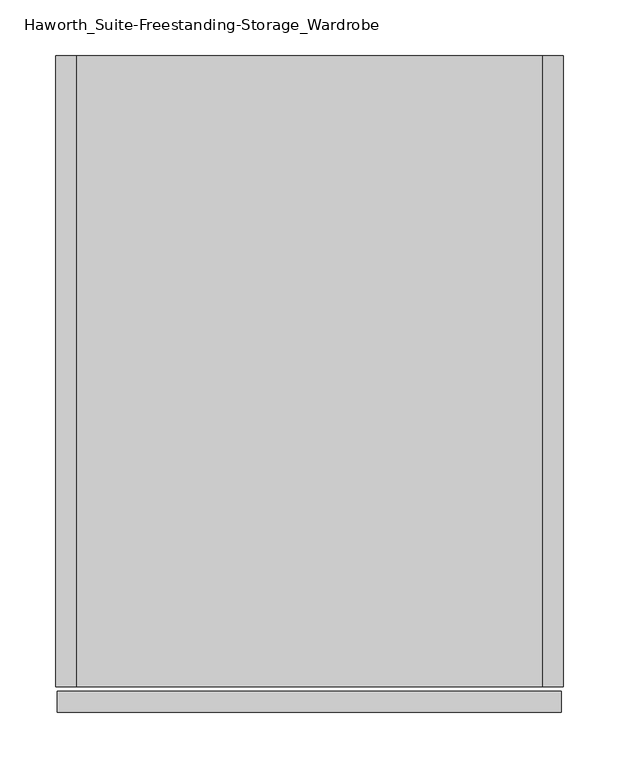
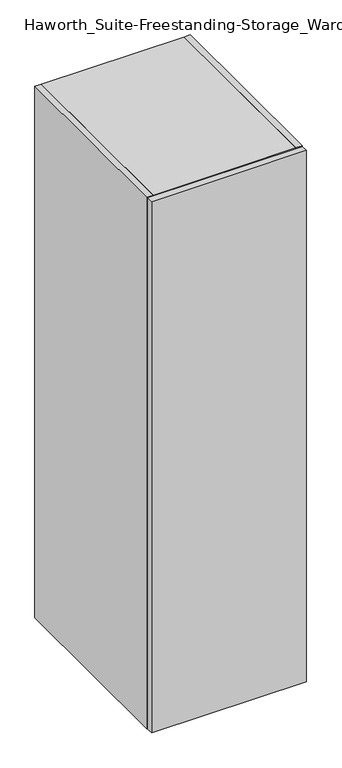
"""IFC4 building model written with IfcOpenShell, lengths in millimetres: furniture geometry, Haworth_Suite-Freestanding-Storage_Wardrobe."""

import ifcopenshell
import ifcopenshell.guid

model = None  # the IFC model being written
_history = None  # IfcOwnerHistory: only IFC2X3 demands one
_inside = {}  # id of a spatial element -> (the spatial element, [elements in it])
_under = {}  # id of a project, library or spatial element -> (it, [spatial elements below it])
_declared = {}  # id of a project -> (the project, [libraries it declares])
_typed = {}  # id of a type object -> (the type object, [elements of that type])
_made_of = {}  # id of a material, layer set ... -> (it, [elements and type objects made of it])


def new_model(schema):
    """Start an empty IFC model of exactly this schema.

    Asked for "IFC4X3", IfcOpenShell would pick the latest addendum, in which some entities
    have other attributes; the version numbers below select the first issue.
    IFC2X3 requires an IfcOwnerHistory on every rooted entity: one is made here for all.
    """
    global model, _history
    if schema == "IFC4X3":
        model = ifcopenshell.file(schema_version=(4, 3, 0, 0))
    else:
        model = ifcopenshell.file(schema=schema)
    _inside.clear()
    _under.clear()
    _declared.clear()
    _typed.clear()
    _made_of.clear()
    _history = None
    if model.schema == "IFC2X3":
        org = make("IfcOrganization", Name="unknown")
        user = make(
            "IfcPersonAndOrganization",
            ThePerson=make("IfcPerson", FamilyName="unknown"),
            TheOrganization=org,
        )
        app = make(
            "IfcApplication",
            ApplicationDeveloper=org,
            Version="unknown",
            ApplicationFullName="unknown",
            ApplicationIdentifier="unknown",
        )
        _history = make(
            "IfcOwnerHistory",
            OwningUser=user,
            OwningApplication=app,
            ChangeAction="ADDED",
            CreationDate=0,
        )
    return model


def make(cls, **values):
    """One entity of the class cls with the attributes given. An attribute that is None is left unset."""
    return model.create_entity(
        cls, **{name: value for name, value in values.items() if value is not None}
    )


def rooted(cls, **values):
    """An entity with a GlobalId (a new one), such as an element, a storey or a relation."""
    return make(cls, GlobalId=ifcopenshell.guid.new(), OwnerHistory=_history, **values)


def si_unit(unit_type, name, prefix=None):
    """IfcSIUnit, for example si_unit("LENGTHUNIT", "METRE", prefix="MILLI")."""
    return make("IfcSIUnit", UnitType=unit_type, Prefix=prefix, Name=name)


def assignment(units):
    """IfcUnitAssignment: the units of a project."""
    return None if units is None else make("IfcUnitAssignment", Units=units)


def point(xyz):
    """IfcCartesianPoint."""
    return None if xyz is None else make("IfcCartesianPoint", Coordinates=xyz)


def direction(xyz):
    """IfcDirection."""
    return None if xyz is None else make("IfcDirection", DirectionRatios=xyz)


def frame(location, z_axis=None, x_axis=None):
    """IfcAxis2Placement3D, a coordinate frame: its origin and axes. An axis left out is left unset."""
    return make(
        "IfcAxis2Placement3D",
        Location=point(location),
        Axis=direction(z_axis),
        RefDirection=direction(x_axis),
    )


def frame_2d(location, x_axis=None):
    """IfcAxis2Placement2D, a coordinate frame in the plane: its origin and x axis."""
    return make(
        "IfcAxis2Placement2D", Location=point(location), RefDirection=direction(x_axis)
    )


def origin():
    """The frame at (0, 0, 0) with its axes left unset."""
    return frame((0.0, 0.0, 0.0))


def origin_with_axes():
    """The frame at (0, 0, 0) with the z axis (0, 0, 1) and the x axis (1, 0, 0) written out."""
    return frame((0.0, 0.0, 0.0), z_axis=(0.0, 0.0, 1.0), x_axis=(1.0, 0.0, 0.0))


def place(relative_to, where):
    """IfcLocalPlacement: puts the frame where relative to a parent placement (None: the world)."""
    return make(
        "IfcLocalPlacement", PlacementRelTo=relative_to, RelativePlacement=where
    )


def context(
    kind, dimensions, precision=None, world=None, true_north=None, identifier=None
):
    """IfcGeometricRepresentationContext, for example the 3D "Model" context."""
    return make(
        "IfcGeometricRepresentationContext",
        ContextIdentifier=identifier,
        ContextType=kind,
        CoordinateSpaceDimension=dimensions,
        Precision=precision,
        WorldCoordinateSystem=world,
        TrueNorth=true_north,
    )


def project(units=None, contexts=None):
    """IfcProject with its units and contexts."""
    return rooted(
        "IfcProject",
        Name="project",
        RepresentationContexts=contexts,
        UnitsInContext=assignment(units),
    )


def spatial(cls, under=None, at=None, **own):
    """A site, building, storey or space (cls), placed at a placement, below another one or the project."""
    s = rooted(cls, ObjectPlacement=at, **own)
    if under is not None:
        _under.setdefault(under.id(), (under, []))[1].append(s)
    return s


def polyline(points):
    """IfcPolyline through the points."""
    return make("IfcPolyline", Points=[point(p) for p in points])


def circle_curve(where, radius):
    """IfcCircle in the frame where."""
    return make("IfcCircle", Position=where, Radius=radius)


def trimmed(basis, trim1, trim2, sense, master):
    """IfcTrimmedCurve: the piece of a basis curve between two trims."""
    return make(
        "IfcTrimmedCurve",
        BasisCurve=basis,
        Trim1=trim1,
        Trim2=trim2,
        SenseAgreement=sense,
        MasterRepresentation=master,
    )


def segment(curve, same_sense, transition):
    """IfcCompositeCurveSegment."""
    return make(
        "IfcCompositeCurveSegment",
        Transition=transition,
        SameSense=same_sense,
        ParentCurve=curve,
    )


def composite_curve(segments, self_intersect=None):
    """IfcCompositeCurve: segments joined end to end."""
    return make("IfcCompositeCurve", Segments=segments, SelfIntersect=self_intersect)


def outline(outer, holes=None, kind="AREA"):
    """IfcArbitraryClosedProfileDef: a profile drawn as a closed curve; with holes, ...WithVoids."""
    if holes is None:
        return make("IfcArbitraryClosedProfileDef", ProfileType=kind, OuterCurve=outer)
    return make(
        "IfcArbitraryProfileDefWithVoids",
        ProfileType=kind,
        OuterCurve=outer,
        InnerCurves=holes,
    )


def extrude(swept, where, along, depth):
    """IfcExtrudedAreaSolid: the profile swept, set in the frame where, extruded along a direction by depth."""
    return make(
        "IfcExtrudedAreaSolid",
        SweptArea=swept,
        Position=where,
        ExtrudedDirection=direction(along),
        Depth=depth,
    )


def shape(context_of_items, identifier, shape_type, items):
    """IfcShapeRepresentation: the items that make up one representation, for example the "Body"."""
    return make(
        "IfcShapeRepresentation",
        ContextOfItems=context_of_items,
        RepresentationIdentifier=identifier,
        RepresentationType=shape_type,
        Items=items,
    )


def source(mapping_origin, context_of_items, identifier, shape_type, items):
    """IfcRepresentationMap: a shape defined once, which mapped items show again and again."""
    return make(
        "IfcRepresentationMap",
        MappingOrigin=mapping_origin,
        MappedRepresentation=shape(context_of_items, identifier, shape_type, items),
    )


def transform(
    local_origin,
    x_axis=None,
    y_axis=None,
    z_axis=None,
    scale=None,
    scale2=None,
    scale3=None,
    uniform=True,
):
    """IfcCartesianTransformationOperator3D, or its non-uniform kind. x_axis, y_axis, z_axis: its Axis1, 2, 3."""
    if uniform:
        return make(
            "IfcCartesianTransformationOperator3D",
            Axis1=direction(x_axis),
            Axis2=direction(y_axis),
            LocalOrigin=point(local_origin),
            Scale=scale,
            Axis3=direction(z_axis),
        )
    return make(
        "IfcCartesianTransformationOperator3DnonUniform",
        Axis1=direction(x_axis),
        Axis2=direction(y_axis),
        LocalOrigin=point(local_origin),
        Scale=scale,
        Axis3=direction(z_axis),
        Scale2=scale2,
        Scale3=scale3,
    )


def mapped(mapping_source, mapping_target):
    """IfcMappedItem: shows the shape of a source again, moved by a transform."""
    return make(
        "IfcMappedItem", MappingSource=mapping_source, MappingTarget=mapping_target
    )


def made_of(thing, what):
    """Note that an element or type object is made of a material, layer set ...; save() writes the relation."""
    if what is not None:
        _made_of.setdefault(what.id(), (what, []))[1].append(thing)
    return thing


def element(
    cls,
    number,
    at=None,
    inside=None,
    cuts=None,
    type_object=None,
    material=None,
    context=None,
    identifier="Body",
    shape_type=None,
    held_by="IfcProductDefinitionShape",
    body=None,
    shapes=None,
    **own,
):
    """One element of the class cls, such as IfcWall. Its Tag is "e" and its number.

    at: its placement. inside: the storey or other place that contains it. cuts: it is an
    opening in that element (IfcRelVoidsElement). A single representation is given by context,
    identifier, shape_type and body (its items); several are given by shapes. held_by: the class
    of the entity that holds the representations. save() writes the other relations.
    """
    e = rooted(cls, Tag="e%d" % number, ObjectPlacement=at, **own)
    if body is not None:
        shapes = [shape(context, identifier, shape_type, body)]
    if shapes is not None:
        e.Representation = make(held_by, Representations=shapes)
    if inside is not None:
        _inside.setdefault(inside.id(), (inside, []))[1].append(e)
    if cuts is not None:
        rooted(
            "IfcRelVoidsElement", RelatingBuildingElement=cuts, RelatedOpeningElement=e
        )
    if type_object is not None:
        _typed.setdefault(type_object.id(), (type_object, []))[1].append(e)
    return made_of(e, material)


def aggregate(whole, parts):
    """IfcRelAggregates: a whole, such as a stair, and the parts it consists of."""
    return rooted("IfcRelAggregates", RelatingObject=whole, RelatedObjects=parts)


def save(model, path):
    """Write the relations noted so far, then the file.

    IfcRelAggregates (storeys below a building ...), IfcRelContainedInSpatialStructure (elements
    in a storey), IfcRelDefinesByType, IfcRelAssociatesMaterial and IfcRelDeclares: one each for
    every whole, place, type object, material and project.
    """
    for whole, parts in _under.values():
        aggregate(whole, parts)
    for where, things in _inside.values():
        rooted(
            "IfcRelContainedInSpatialStructure",
            RelatedElements=things,
            RelatingStructure=where,
        )
    for kind, things in _typed.values():
        rooted("IfcRelDefinesByType", RelatedObjects=things, RelatingType=kind)
    for what, things in _made_of.values():
        rooted("IfcRelAssociatesMaterial", RelatedObjects=things, RelatingMaterial=what)
    for by, libraries in _declared.values():
        rooted("IfcRelDeclares", RelatingContext=by, RelatedDefinitions=libraries)
    model.write(path)


def haworth_suite_freestanding_storage_wardrobe_251ccefe(model_context):
    return source(origin(), model_context, "Body", "SweptSolid", [
        extrude(outline(polyline([(-239.7125, -584.99375), (214.3125, -584.99375), (214.3125, -604.04375), (-239.7125, -604.04375), (-239.7125, -584.99375)])), origin_with_axes(), (0.0, 0.0, 1.0), 1651.0),
        extrude(outline(composite_curve([segment(trimmed(circle_curve(frame_2d((-307.975, 1524.0)), 12.7), [point((-320.675, 1524.0))], [point((-295.275, 1524.0))], False, "CARTESIAN"), True, "CONTINUOUS"), segment(trimmed(circle_curve(frame_2d((-307.975, 1524.0)), 12.7), [point((-295.275, 1524.0))], [point((-320.675, 1524.0))], False, "CARTESIAN"), True, "CONTINUOUS")], self_intersect=False)), frame((-222.25, 0.0, 0.0), z_axis=(1.0, 0.0, 0.0), x_axis=(0.0, 1.0, 0.0)), (0.0, 0.0, 1.0), 419.1),
        extrude(outline(polyline([(196.85, -12.7), (196.85, -581.025), (-222.25, -581.025), (-222.25, -12.7), (196.85, -12.7)])), frame((0.0, 0.0, 1631.95), z_axis=(0.0, 0.0, 1.0), x_axis=(1.0, 0.0, 0.0)), (0.0, 0.0, 1.0), 19.05),
        extrude(outline(polyline([(196.85, -12.7), (196.85, -31.75), (-222.25, -31.75), (-222.25, -12.7), (196.85, -12.7)])), origin_with_axes(), (0.0, 0.0, 1.0), 1631.95),
        extrude(outline(polyline([(196.85, -31.75), (196.85, -581.025), (-222.25, -581.025), (-222.25, -31.75), (196.85, -31.75)])), origin_with_axes(), (0.0, 0.0, 1.0), 38.1),
        extrude(outline(polyline([(-222.25, -12.7), (-222.25, -581.025), (-241.3, -581.025), (-241.3, -12.7), (-222.25, -12.7)])), origin_with_axes(), (0.0, 0.0, 1.0), 1651.0),
        extrude(outline(polyline([(215.9, -581.025), (196.85, -581.025), (196.85, -12.7), (215.9, -12.7), (215.9, -581.025)])), origin_with_axes(), (0.0, 0.0, 1.0), 1651.0),
    ])


if __name__ == "__main__":
    model = new_model("IFC4")
    model_context = context("Model", 3, world=origin())
    ifc_project = project(units=[si_unit("LENGTHUNIT", "METRE", prefix="MILLI")], contexts=[model_context])
    site = spatial("IfcSite", under=ifc_project)
    building = spatial("IfcBuilding", under=site)
    placement = place(None, origin())
    haworth_suite_freestanding_storage_wardrobe_shape = haworth_suite_freestanding_storage_wardrobe_251ccefe(model_context)
    element("IfcFurniture", 1, ObjectType="Haworth_Suite-Freestanding-Storage_Wardrobe", at=placement, inside=building, context=model_context, shape_type="MappedRepresentation", body=[
        mapped(haworth_suite_freestanding_storage_wardrobe_shape, transform((0.0, 0.0, 0.0), x_axis=(1.0, 0.0, 0.0), y_axis=(0.0, 1.0, 0.0), z_axis=(0.0, 0.0, 1.0))),
    ])
    save(model, "model.ifc")
